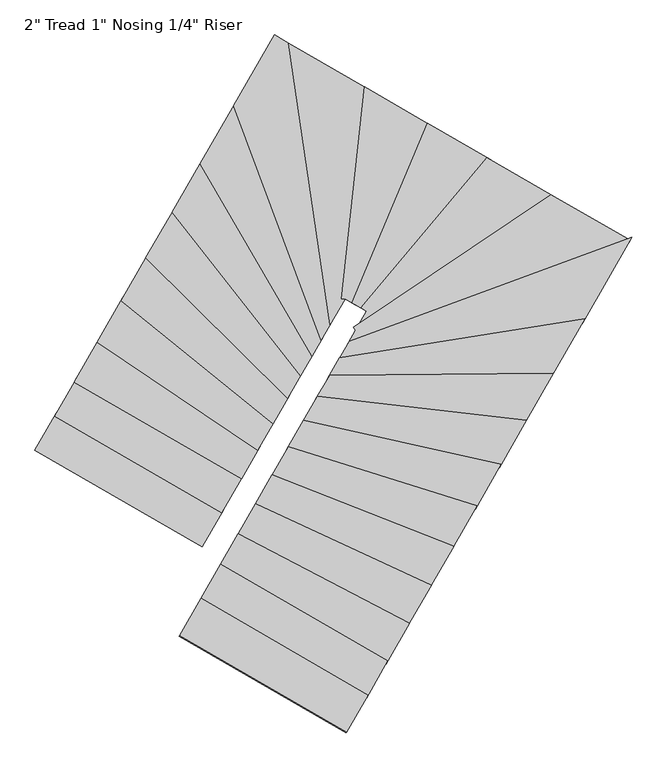
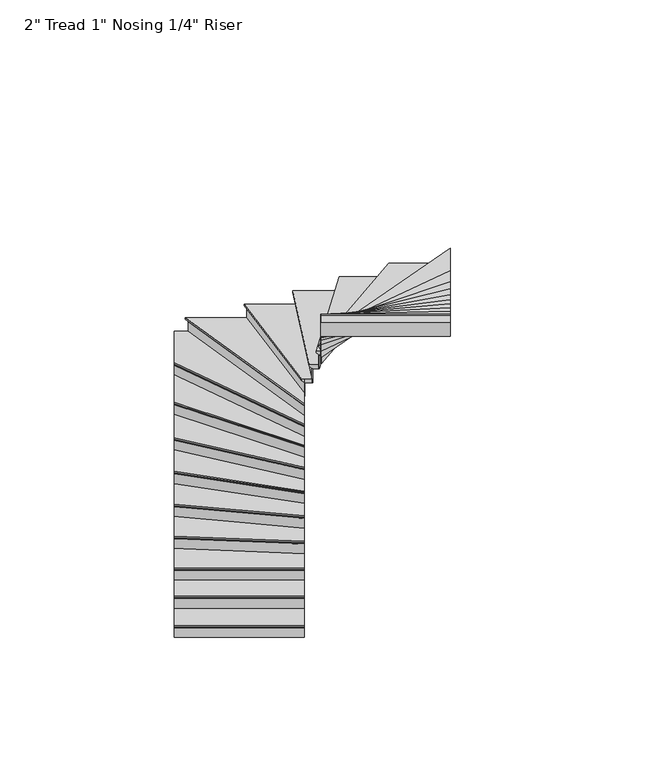
"""IFC4 building model written with IfcOpenShell, lengths in millimetres: stair flight geometry."""

from ifc_helpers import new_model, si_unit, origin, place, context, project, spatial, faceted_brep, source, transform, mapped, element, save


def stair_flight_da37d7b7(model_context):
    return source(origin(), model_context, "Body", "Brep", [
        faceted_brep([(34058.7429103, -105273.2736568, 7776.7961538), (34058.7429103, -105273.2736568, 7795.8461538), (32870.7873116, -104587.6731496, 7795.8461538), (32870.7873116, -104587.6731496, 7776.7961538), (34071.439216, -105251.274479, 7751.3961538), (32883.4836173, -104565.6739719, 7751.3961538), (34211.0985786, -105009.2835238, 7795.8461538), (33023.1429799, -104323.6830166, 7795.8461538), (32883.4836173, -104565.6739719, 7745.0461538), (33023.1429799, -104323.6830166, 7745.0461538), (34211.0985786, -105009.2835238, 7745.0461538), (34071.439216, -105251.274479, 7745.0461538)], [[[0, 1, 2, 3]], [[4, 0, 3, 5]], [[2, 1, 6, 7]], [[8, 9, 10, 11]], [[2, 7, 9, 8, 5, 3]], [[8, 11, 4, 5]], [[6, 1, 0, 4, 11, 10]], [[7, 6, 10, 9]]]),
        faceted_brep([(34071.439216, -105251.274479, 7745.0461538), (34071.439216, -105251.274479, 7620.0), (34074.6132924, -105245.7746846, 7620.0), (34074.6132924, -105245.7746846, 7745.0461538), (32883.4836173, -104565.6739719, 7745.0461538), (32886.6576937, -104560.1741774, 7745.0461538), (32886.6576937, -104560.1741774, 7620.0), (32883.4836173, -104565.6739719, 7620.0)], [[[0, 1, 2, 3]], [[4, 5, 6, 7]], [[1, 0, 4, 7]], [[2, 1, 7, 6]], [[3, 2, 6, 5]], [[0, 3, 5, 4]]]),
        faceted_brep([(34211.0985786, -105009.2835238, 7920.8923077), (34211.0985786, -105009.2835238, 7745.0461538), (34214.272655, -105003.7837293, 7745.0461538), (34214.272655, -105003.7837293, 7920.8923077), (33023.1429799, -104323.6830166, 7920.8923077), (33026.3170563, -104318.1832221, 7920.8923077), (33026.3170563, -104318.1832221, 7745.0461538), (33023.1429799, -104323.6830166, 7745.0461538)], [[[0, 1, 2, 3]], [[4, 5, 6, 7]], [[1, 0, 4, 7]], [[2, 1, 7, 6]], [[3, 2, 6, 5]], [[0, 3, 5, 4]]]),
        faceted_brep([(33010.4466742, -104345.6821943, 7971.6923077), (34198.4022729, -105031.2827015, 7971.6923077), (34350.7579412, -104767.2925685, 7971.6923077), (33162.8023424, -104081.6920613, 7971.6923077), (33023.1429799, -104323.6830166, 7920.8923077), (33162.8023424, -104081.6920613, 7920.8923077), (34350.7579412, -104767.2925685, 7920.8923077), (34211.0985786, -105009.2835238, 7920.8923077), (33023.1429799, -104323.6830166, 7927.2423077), (33010.4466742, -104345.6821943, 7952.6423077), (34211.0985786, -105009.2835238, 7927.2423077), (34198.4022729, -105031.2827015, 7952.6423077)], [[[0, 1, 2, 3]], [[4, 5, 6, 7]], [[0, 3, 5, 4, 8, 9]], [[4, 7, 10, 8]], [[2, 1, 11, 10, 7, 6]], [[3, 2, 6, 5]], [[11, 1, 0, 9]], [[10, 11, 9, 8]]]),
        faceted_brep([(34350.7579412, -104767.2925685, 8096.7384615), (34350.7579412, -104767.2925685, 7920.8923077), (34353.9320176, -104761.792774, 7920.8923077), (34353.9320176, -104761.792774, 8096.7384615), (33162.8023424, -104081.6920613, 8096.7384615), (33165.9764188, -104076.1922668, 8096.7384615), (33165.9764188, -104076.1922668, 7920.8923077), (33162.8023424, -104081.6920613, 7920.8923077)], [[[0, 1, 2, 3]], [[4, 5, 6, 7]], [[1, 0, 4, 7]], [[2, 1, 7, 6]], [[3, 2, 6, 5]], [[0, 3, 5, 4]]]),
        faceted_brep([(33150.1060367, -104103.691239, 8147.5384615), (34338.0616355, -104789.2917462, 8147.5384615), (34466.1119936, -104567.4159771, 8147.5384615), (33326.8309287, -103797.4759977, 8147.5384615), (33162.8023424, -104081.6920613, 8096.7384615), (33326.8309287, -103797.4759977, 8096.7384615), (34466.1119936, -104567.4159771, 8096.7384615), (34350.7579412, -104767.2925685, 8096.7384615), (33162.8023424, -104081.6920613, 8103.0884615), (33150.1060367, -104103.691239, 8128.4884615), (34350.7579412, -104767.2925685, 8103.0884615), (34338.0616355, -104789.2917462, 8128.4884615)], [[[0, 1, 2, 3]], [[4, 5, 6, 7]], [[0, 3, 5, 4, 8, 9]], [[4, 7, 10, 8]], [[2, 1, 11, 10, 7, 6]], [[3, 2, 6, 5]], [[11, 1, 0, 9]], [[10, 11, 9, 8]]]),
        faceted_brep([(34466.1119936, -104567.4159771, 8272.5846154), (34466.1119936, -104567.4159771, 8096.7384615), (34469.2940592, -104561.9023397, 8096.7384615), (34469.2940592, -104561.9023397, 8272.5846154), (33326.8309287, -103797.4759977, 8272.5846154), (33330.0129943, -103791.9623602, 8272.5846154), (33330.0129943, -103791.9623602, 8096.7384615), (33326.8309287, -103797.4759977, 8096.7384615)], [[[0, 1, 2, 3]], [[4, 5, 6, 7]], [[1, 0, 4, 7]], [[2, 1, 7, 6]], [[3, 2, 6, 5]], [[0, 3, 5, 4]]]),
        faceted_brep([(33314.1026662, -103819.5305476, 8323.3846154), (34453.3837311, -104589.4705271, 8323.3846154), (34576.4243037, -104376.2753274, 8323.3846154), (33496.0843406, -103504.2067597, 8323.3846154), (33326.8309287, -103797.4759977, 8272.5846154), (33496.0843406, -103504.2067597, 8272.5846154), (34576.4243037, -104376.2753274, 8272.5846154), (34466.1119936, -104567.4159771, 8272.5846154), (33326.8309287, -103797.4759977, 8278.9346154), (33314.1026662, -103819.5305476, 8304.3346154), (34466.1119936, -104567.4159771, 8278.9346154), (34453.3837311, -104589.4705271, 8304.3346154)], [[[0, 1, 2, 3]], [[4, 5, 6, 7]], [[0, 3, 5, 4, 8, 9]], [[4, 7, 10, 8]], [[2, 1, 11, 10, 7, 6]], [[3, 2, 6, 5]], [[11, 1, 0, 9]], [[10, 11, 9, 8]]]),
        faceted_brep([(34576.4243037, -104376.2753274, 8448.4307692), (34576.4243037, -104376.2753274, 8272.5846154), (34579.6372439, -104370.7081927, 8272.5846154), (34579.6372439, -104370.7081927, 8448.4307692), (33496.0843406, -103504.2067597, 8448.4307692), (33499.2972808, -103498.6396251, 8448.4307692), (33499.2972808, -103498.6396251, 8272.5846154), (33496.0843406, -103504.2067597, 8272.5846154)], [[[0, 1, 2, 3]], [[4, 5, 6, 7]], [[1, 0, 4, 7]], [[2, 1, 7, 6]], [[3, 2, 6, 5]], [[0, 3, 5, 4]]]),
        faceted_brep([(33483.2325797, -103526.4752982, 8499.2307692), (34563.5725428, -104398.5438658, 8499.2307692), (34679.9412357, -104196.9091838, 8499.2307692), (33672.4400651, -103198.631183, 8499.2307692), (33496.0843406, -103504.2067597, 8448.4307692), (33672.4400651, -103198.631183, 8448.4307692), (34679.9412357, -104196.9091838, 8448.4307692), (34576.4243037, -104376.2753274, 8448.4307692), (33496.0843406, -103504.2067597, 8454.7807692), (33483.2325797, -103526.4752982, 8480.1807692), (34576.4243037, -104376.2753274, 8454.7807692), (34563.5725428, -104398.5438658, 8480.1807692)], [[[0, 1, 2, 3]], [[4, 5, 6, 7]], [[0, 3, 5, 4, 8, 9]], [[4, 7, 10, 8]], [[2, 1, 11, 10, 7, 6]], [[3, 2, 6, 5]], [[11, 1, 0, 9]], [[10, 11, 9, 8]]]),
        faceted_brep([(34679.9412357, -104196.9091838, 8624.2769231), (34679.9412357, -104196.9091838, 8448.4307692), (34683.2234174, -104191.222073, 8448.4307692), (34683.2234174, -104191.222073, 8624.2769231), (33672.4400651, -103198.631183, 8624.2769231), (33675.7222468, -103192.9440722, 8624.2769231), (33675.7222468, -103192.9440722, 8448.4307692), (33672.4400651, -103198.631183, 8448.4307692)], [[[0, 1, 2, 3]], [[4, 5, 6, 7]], [[1, 0, 4, 7]], [[2, 1, 7, 6]], [[3, 2, 6, 5]], [[0, 3, 5, 4]]]),
        faceted_brep([(33659.3113385, -103221.3796263, 8675.0769231), (34666.8125091, -104219.6576271, 8675.0769231), (34773.9816638, -104033.9631944, 8675.0769231), (33858.7893199, -102875.7395891, 8675.0769231), (33672.4400651, -103198.631183, 8624.2769231), (33858.7893199, -102875.7395891, 8624.2769231), (34773.9816638, -104033.9631944, 8624.2769231), (34679.9412357, -104196.9091838, 8624.2769231), (33672.4400651, -103198.631183, 8630.6269231), (33659.3113385, -103221.3796263, 8656.0269231), (34679.9412357, -104196.9091838, 8630.6269231), (34666.8125091, -104219.6576271, 8656.0269231)], [[[0, 1, 2, 3]], [[4, 5, 6, 7]], [[0, 3, 5, 4, 8, 9]], [[4, 7, 10, 8]], [[2, 1, 11, 10, 7, 6]], [[3, 2, 6, 5]], [[11, 1, 0, 9]], [[10, 11, 9, 8]]]),
        faceted_brep([(34773.9816638, -104033.9631944, 8800.1230769), (34773.9816638, -104033.9631944, 8624.2769231), (34777.3977151, -104028.0441244, 8624.2769231), (34777.3977151, -104028.0441244, 8800.1230769), (33858.7893199, -102875.7395891, 8800.1230769), (33862.2053713, -102869.8205192, 8800.1230769), (33862.2053713, -102869.8205192, 8624.2769231), (33858.7893199, -102875.7395891, 8624.2769231)], [[[0, 1, 2, 3]], [[4, 5, 6, 7]], [[1, 0, 4, 7]], [[2, 1, 7, 6]], [[3, 2, 6, 5]], [[0, 3, 5, 4]]]),
        faceted_brep([(33845.1251145, -102899.4158688, 8850.9230769), (34760.3174583, -104057.6394741, 8850.9230769), (34854.2213067, -103894.9301393, 8850.9230769), (34059.8187483, -102527.4113245, 8850.9230769), (33858.7893199, -102875.7395891, 8800.1230769), (34059.8187483, -102527.4113245, 8800.1230769), (34854.2213067, -103894.9301393, 8800.1230769), (34773.9816638, -104033.9631944, 8800.1230769), (33858.7893199, -102875.7395891, 8806.4730769), (33845.1251145, -102899.4158688, 8831.8730769), (34773.9816638, -104033.9631944, 8806.4730769), (34760.3174583, -104057.6394741, 8831.8730769)], [[[0, 1, 2, 3]], [[4, 5, 6, 7]], [[0, 3, 5, 4, 8, 9]], [[4, 7, 10, 8]], [[2, 1, 11, 10, 7, 6]], [[3, 2, 6, 5]], [[11, 1, 0, 9]], [[10, 11, 9, 8]]]),
        faceted_brep([(34854.2213067, -103894.9301393, 8975.9692308), (34854.2213067, -103894.9301393, 8800.1230769), (34857.8811513, -103888.5886433, 8800.1230769), (34857.8811513, -103888.5886433, 8975.9692308), (34059.8187483, -102527.4113245, 8975.9692308), (34063.4785929, -102521.0698284, 8975.9692308), (34063.4785929, -102521.0698284, 8800.1230769), (34059.8187483, -102527.4113245, 8800.1230769)], [[[0, 1, 2, 3]], [[4, 5, 6, 7]], [[1, 0, 4, 7]], [[2, 1, 7, 6]], [[3, 2, 6, 5]], [[0, 3, 5, 4]]]),
        faceted_brep([(34045.1793698, -102552.7773087, 9026.7692308), (34839.5819282, -103920.2961236, 9026.7692308), (34920.9943729, -103779.2309282, 9026.7692308), (34299.1595432, -102112.7000831, 9026.7692308), (34059.8187483, -102527.4113245, 8975.9692308), (34299.1595432, -102112.7000831, 8975.9692308), (34920.9943729, -103779.2309282, 8975.9692308), (34854.2213067, -103894.9301393, 8975.9692308), (34059.8187483, -102527.4113245, 8982.3192308), (34045.1793698, -102552.7773087, 9007.7192308), (34854.2213067, -103894.9301393, 8982.3192308), (34839.5819282, -103920.2961236, 9007.7192308)], [[[0, 1, 2, 3]], [[4, 5, 6, 7]], [[0, 3, 5, 4, 8, 9]], [[4, 7, 10, 8]], [[2, 1, 11, 10, 7, 6]], [[3, 2, 6, 5]], [[11, 1, 0, 9]], [[10, 11, 9, 8]]]),
        faceted_brep([(34920.9943729, -103779.2309282, 9151.8153846), (34920.9943729, -103779.2309282, 8975.9692308), (34925.1106859, -103772.098499, 8975.9692308), (34925.1106859, -103772.098499, 9151.8153846), (34299.1595432, -102112.7000831, 9151.8153846), (34303.2758562, -102105.567654, 9151.8153846), (34303.2758562, -102105.567654, 8975.9692308), (34299.1595432, -102112.7000831, 8975.9692308)], [[[0, 1, 2, 3]], [[4, 5, 6, 7]], [[1, 0, 4, 7]], [[2, 1, 7, 6]], [[3, 2, 6, 5]], [[0, 3, 5, 4]]]),
        faceted_brep([(34702.6300907, -101713.9698157, 9202.6153846), (34572.5902855, -101638.9204145, 9202.6153846), (34282.6942913, -102141.2297997, 9202.6153846), (34904.529121, -103807.7606448, 9202.6153846), (34988.6092331, -103662.0731214, 9202.6153846), (34572.5902855, -101638.9204145, 9151.8153846), (34702.6300907, -101713.9698157, 9151.8153846), (34988.6092331, -103662.0731214, 9151.8153846), (34920.9943729, -103779.2309282, 9151.8153846), (34299.1595432, -102112.7000831, 9151.8153846), (34920.9943729, -103779.2309282, 9158.1653846), (34299.1595432, -102112.7000831, 9158.1653846), (34904.529121, -103807.7606448, 9183.5653846), (34282.6942913, -102141.2297997, 9183.5653846)], [[[0, 1, 2, 3, 4]], [[5, 6, 7, 8, 9]], [[1, 0, 6, 5]], [[9, 8, 10, 11]], [[4, 3, 12, 10, 8, 7]], [[0, 4, 7, 6]], [[12, 3, 2, 13]], [[10, 12, 13, 11]], [[2, 1, 5, 9, 11, 13]]]),
        faceted_brep([(34988.6092331, -103662.0731214, 9327.6615385), (34988.6092331, -103662.0731214, 9151.8153846), (34993.725825, -103653.2074862, 9151.8153846), (34993.725825, -103653.2074862, 9327.6615385), (34702.6300907, -101713.9698157, 9327.6615385), (34709.6422249, -101718.0167033, 9327.6615385), (34709.6422249, -101718.0167033, 9151.8153846), (34702.6300907, -101713.9698157, 9151.8153846)], [[[0, 1, 2, 3]], [[4, 5, 6, 7]], [[1, 0, 4, 7]], [[2, 1, 7, 6]], [[3, 2, 6, 5]], [[0, 3, 5, 4]]]),
        faceted_brep([(34674.5815538, -101697.7822653, 9378.4615385), (34968.1428654, -103697.5356624, 9378.4615385), (35074.0644902, -103514.0028531, 9378.4615385), (35236.0103431, -102021.7976268, 9378.4615385), (34702.6300907, -101713.9698157, 9327.6615385), (35236.0103431, -102021.7976268, 9327.6615385), (35074.0644902, -103514.0028531, 9327.6615385), (34988.6092331, -103662.0731214, 9327.6615385), (34702.6300907, -101713.9698157, 9334.0115385), (34674.5815538, -101697.7822653, 9359.4115385), (34988.6092331, -103662.0731214, 9334.0115385), (34968.1428654, -103697.5356624, 9359.4115385)], [[[0, 1, 2, 3]], [[4, 5, 6, 7]], [[0, 3, 5, 4, 8, 9]], [[4, 7, 10, 8]], [[2, 1, 11, 10, 7, 6]], [[3, 2, 6, 5]], [[11, 1, 0, 9]], [[10, 11, 9, 8]]]),
        faceted_brep([(35074.0644902, -103514.0028531, 9503.5076923), (35074.0644902, -103514.0028531, 9327.6615385), (35080.3774212, -103514.6879821, 9327.6615385), (35080.3774212, -103514.6879821, 9503.5076923), (35236.0103431, -102021.7976268, 9503.5076923), (35242.0211473, -102025.2666204, 9503.5076923), (35242.0211473, -102025.2666204, 9327.6615385), (35236.0103431, -102021.7976268, 9327.6615385)], [[[0, 1, 2, 3]], [[4, 5, 6, 7]], [[1, 0, 4, 7]], [[2, 1, 7, 6]], [[3, 2, 6, 5]], [[0, 3, 5, 4]]]),
        faceted_brep([(35211.9671266, -102007.9216524, 9554.3076923), (35048.812766, -103511.2623373, 9554.3076923), (35074.0644902, -103514.0028531, 9554.3076923), (35074.945377, -103512.4765204, 9554.3076923), (35147.2728149, -103554.2185924, 9554.3076923), (35681.2119659, -102278.735225, 9554.3076923), (35236.0103431, -102021.7976268, 9503.5076923), (35681.2119659, -102278.735225, 9503.5076923), (35147.2728149, -103554.2185924, 9503.5076923), (35074.945377, -103512.4765204, 9503.5076923), (35074.0644902, -103514.0028531, 9503.5076923), (35236.0103431, -102021.7976268, 9509.8576923), (35211.9671266, -102007.9216524, 9535.2576923), (35074.0644902, -103514.0028531, 9509.8576923), (35048.812766, -103511.2623373, 9535.2576923)], [[[0, 1, 2, 3, 4, 5]], [[6, 7, 8, 9, 10]], [[0, 5, 7, 6, 11, 12]], [[6, 10, 13, 11]], [[3, 2, 13, 10, 9]], [[4, 3, 9, 8]], [[5, 4, 8, 7]], [[14, 1, 0, 12]], [[13, 14, 12, 11]], [[1, 14, 13, 2]]]),
        faceted_brep([(35147.2728149, -103554.2185924, 9679.3538462), (35147.2728149, -103554.2185924, 9503.5076923), (35152.8172476, -103557.4184307, 9503.5076923), (35152.8172476, -103557.4184307, 9679.3538462), (35681.2119659, -102278.735225, 9679.3538462), (35686.7563986, -102281.9350634, 9679.3538462), (35686.7563986, -102281.9350634, 9503.5076923), (35681.2119659, -102278.735225, 9503.5076923)], [[[0, 1, 2, 3]], [[4, 5, 6, 7]], [[1, 0, 4, 7]], [[2, 1, 7, 6]], [[3, 2, 6, 5]], [[0, 3, 5, 4]]]),
        faceted_brep([(35659.0342352, -102265.9358717, 9730.1538462), (35125.0950842, -103541.419239, 9730.1538462), (35209.7916954, -103590.2998871, 9730.1538462), (36104.2961835, -102522.9082854, 9730.1538462), (35681.2119659, -102278.735225, 9679.3538462), (36104.2961835, -102522.9082854, 9679.3538462), (35209.7916954, -103590.2998871, 9679.3538462), (35147.2728149, -103554.2185924, 9679.3538462), (35681.2119659, -102278.735225, 9685.7038462), (35659.0342352, -102265.9358717, 9711.1038462), (35147.2728149, -103554.2185924, 9685.7038462), (35125.0950842, -103541.419239, 9711.1038462)], [[[0, 1, 2, 3]], [[4, 5, 6, 7]], [[0, 3, 5, 4, 8, 9]], [[4, 7, 10, 8]], [[3, 2, 6, 5]], [[11, 1, 0, 9]], [[10, 11, 9, 8]], [[2, 1, 11, 10, 7, 6]]]),
        faceted_brep([(35209.7916954, -103590.2998871, 9855.2), (35209.7916954, -103590.2998871, 9679.3538462), (35215.3758797, -103593.5226672, 9679.3538462), (35215.3758797, -103593.5226672, 9855.2), (36104.2961835, -102522.9082854, 9855.2), (36109.8803678, -102526.1310655, 9855.2), (36109.8803678, -102526.1310655, 9679.3538462), (36104.2961835, -102522.9082854, 9679.3538462)], [[[0, 1, 2, 3]], [[4, 5, 6, 7]], [[1, 0, 4, 7]], [[2, 1, 7, 6]], [[3, 2, 6, 5]], [[0, 3, 5, 4]]]),
        faceted_brep([(36081.9594463, -102510.0171653, 9906.0), (35187.4549582, -103577.408767, 9906.0), (35227.850771, -103600.722256, 9906.0), (35150.8603109, -103734.1253779, 9906.0), (36560.749701, -102786.3396489, 9906.0), (36104.2961835, -102522.9082854, 9855.2), (36560.749701, -102786.3396489, 9855.2), (35150.8603109, -103734.1253779, 9855.2), (35227.850771, -103600.722256, 9855.2), (35209.7916954, -103590.2998871, 9855.2), (36104.2961835, -102522.9082854, 9861.55), (36081.9594463, -102510.0171653, 9886.95), (35209.7916954, -103590.2998871, 9861.55), (35187.4549582, -103577.408767, 9886.95)], [[[0, 1, 2, 3, 4]], [[5, 6, 7, 8, 9]], [[0, 4, 6, 5, 10, 11]], [[5, 9, 12, 10]], [[2, 1, 13, 12, 9, 8]], [[4, 3, 7, 6]], [[13, 1, 0, 11]], [[12, 13, 11, 10]], [[3, 2, 8, 7]]]),
        faceted_brep([(35150.8603109, -103734.1253779, 10031.0461538), (35150.8603109, -103734.1253779, 9855.2), (35154.4029692, -103739.3952994, 9855.2), (35154.4029692, -103739.3952994, 10031.0461538), (36560.749701, -102786.3396489, 10031.0461538), (36566.8739534, -102789.8741165, 10031.0461538), (36566.8739534, -102789.8741165, 9855.2), (36560.749701, -102786.3396489, 9855.2)], [[[0, 1, 2, 3]], [[4, 5, 6, 7]], [[1, 0, 4, 7]], [[2, 1, 7, 6]], [[3, 2, 6, 5]], [[0, 3, 5, 4]]]),
        faceted_brep([(37094.2233393, -103110.8142435, 10081.8461538), (37101.4068769, -103098.3671644, 10081.8461538), (36536.2526915, -102772.2017786, 10081.8461538), (35136.6896777, -103713.0456921, 10081.8461538), (35150.8603109, -103734.1253779, 10081.8461538), (35085.0928584, -103848.0821394, 10081.8461538), (37101.4068769, -103098.3671644, 10031.0461538), (37094.2233393, -103110.8142435, 10031.0461538), (35085.0928584, -103848.0821394, 10031.0461538), (35150.8603109, -103734.1253779, 10031.0461538), (36560.749701, -102786.3396489, 10031.0461538), (35150.8603109, -103734.1253779, 10037.3961538), (36560.749701, -102786.3396489, 10037.3961538), (35136.6896777, -103713.0456921, 10062.7961538), (36536.2526915, -102772.2017786, 10062.7961538)], [[[0, 1, 2, 3, 4, 5]], [[6, 7, 8, 9, 10]], [[1, 0, 7, 6]], [[10, 9, 11, 12]], [[5, 4, 11, 9, 8]], [[0, 5, 8, 7]], [[13, 3, 2, 14]], [[11, 13, 14, 12]], [[3, 13, 11, 4]], [[2, 1, 6, 10, 12, 14]]]),
        faceted_brep([(35085.0928584, -103848.0821394, 10206.8923077), (35085.0928584, -103848.0821394, 10031.0461538), (35080.1402879, -103856.6635709, 10031.0461538), (35080.1402879, -103856.6635709, 10206.8923077), (37094.2233393, -103110.8142435, 10206.8923077), (37089.2707688, -103119.3956751, 10206.8923077), (37089.2707688, -103119.3956751, 10031.0461538), (37094.2233393, -103110.8142435, 10031.0461538)], [[[0, 1, 2, 3]], [[4, 5, 6, 7]], [[1, 0, 4, 7]], [[2, 1, 7, 6]], [[3, 2, 6, 5]], [[0, 3, 5, 4]]]),
        faceted_brep([(37114.0336213, -103076.4885172, 10257.6923077), (35104.9031404, -103813.7564131, 10257.6923077), (35019.9504335, -103960.9559012, 10257.6923077), (36764.2781484, -103682.5177832, 10257.6923077), (37094.2233393, -103110.8142435, 10206.8923077), (36764.2781484, -103682.5177832, 10206.8923077), (35019.9504335, -103960.9559012, 10206.8923077), (35085.0928584, -103848.0821394, 10206.8923077), (37094.2233393, -103110.8142435, 10213.2423077), (37114.0336213, -103076.4885172, 10238.6423077), (35085.0928584, -103848.0821394, 10213.2423077), (35104.9031404, -103813.7564131, 10238.6423077)], [[[0, 1, 2, 3]], [[4, 5, 6, 7]], [[0, 3, 5, 4, 8, 9]], [[4, 7, 10, 8]], [[2, 1, 11, 10, 7, 6]], [[3, 2, 6, 5]], [[11, 1, 0, 9]], [[10, 11, 9, 8]]]),
        faceted_brep([(35019.9504335, -103960.9559012, 10382.7384615), (35019.9504335, -103960.9559012, 10206.8923077), (35015.8627092, -103968.0387942, 10206.8923077), (35015.8627092, -103968.0387942, 10382.7384615), (36764.2781484, -103682.5177832, 10382.7384615), (36760.1904241, -103689.6006762, 10382.7384615), (36760.1904241, -103689.6006762, 10206.8923077), (36764.2781484, -103682.5177832, 10206.8923077)], [[[0, 1, 2, 3]], [[4, 5, 6, 7]], [[1, 0, 4, 7]], [[2, 1, 7, 6]], [[3, 2, 6, 5]], [[0, 3, 5, 4]]]),
        faceted_brep([(36780.6290459, -103654.1862112, 10433.5384615), (35036.301331, -103932.6243292, 10433.5384615), (34951.5828788, -104079.4179189, 10433.5384615), (36542.1715296, -104067.3669754, 10433.5384615), (36764.2781484, -103682.5177832, 10382.7384615), (36542.1715296, -104067.3669754, 10382.7384615), (34951.5828788, -104079.4179189, 10382.7384615), (35019.9504335, -103960.9559012, 10382.7384615), (36764.2781484, -103682.5177832, 10389.0884615), (36780.6290459, -103654.1862112, 10414.4884615), (35019.9504335, -103960.9559012, 10389.0884615), (35036.301331, -103932.6243292, 10414.4884615)], [[[0, 1, 2, 3]], [[4, 5, 6, 7]], [[0, 3, 5, 4, 8, 9]], [[4, 7, 10, 8]], [[2, 1, 11, 10, 7, 6]], [[3, 2, 6, 5]], [[11, 1, 0, 9]], [[10, 11, 9, 8]]]),
        faceted_brep([(34951.5828788, -104079.4179189, 10558.5846154), (34951.5828788, -104079.4179189, 10382.7384615), (34947.901926, -104085.7959895, 10382.7384615), (34947.901926, -104085.7959895, 10558.5846154), (36542.1715296, -104067.3669754, 10558.5846154), (36538.4905768, -104073.745046, 10558.5846154), (36538.4905768, -104073.745046, 10382.7384615), (36542.1715296, -104067.3669754, 10382.7384615)], [[[0, 1, 2, 3]], [[4, 5, 6, 7]], [[1, 0, 4, 7]], [[2, 1, 7, 6]], [[3, 2, 6, 5]], [[0, 3, 5, 4]]]),
        faceted_brep([(36556.8953407, -104041.8546928, 10609.3846154), (34966.3066899, -104053.9056363, 10609.3846154), (34866.3512228, -104227.1007485, 10609.3846154), (36349.8802275, -104400.5544899, 10609.3846154), (36542.1715296, -104067.3669754, 10558.5846154), (36349.8802275, -104400.5544899, 10558.5846154), (34866.3512228, -104227.1007485, 10558.5846154), (34951.5828788, -104079.4179189, 10558.5846154), (36542.1715296, -104067.3669754, 10564.9346154), (36556.8953407, -104041.8546928, 10590.3346154), (34951.5828788, -104079.4179189, 10564.9346154), (34966.3066899, -104053.9056363, 10590.3346154)], [[[0, 1, 2, 3]], [[4, 5, 6, 7]], [[0, 3, 5, 4, 8, 9]], [[4, 7, 10, 8]], [[2, 1, 11, 10, 7, 6]], [[3, 2, 6, 5]], [[11, 1, 0, 9]], [[10, 11, 9, 8]]]),
        faceted_brep([(34866.3512228, -104227.1007485, 10734.4307692), (34866.3512228, -104227.1007485, 10558.5846154), (34862.8947409, -104233.0898734, 10558.5846154), (34862.8947409, -104233.0898734, 10734.4307692), (36349.8802275, -104400.5544899, 10734.4307692), (36346.4237456, -104406.5436147, 10734.4307692), (36346.4237456, -104406.5436147, 10558.5846154), (36349.8802275, -104400.5544899, 10558.5846154)], [[[0, 1, 2, 3]], [[4, 5, 6, 7]], [[1, 0, 4, 7]], [[2, 1, 7, 6]], [[3, 2, 6, 5]], [[0, 3, 5, 4]]]),
        faceted_brep([(36363.7061551, -104376.5979906, 10785.2307692), (34880.1771504, -104203.1442492, 10785.2307692), (34767.3003859, -104398.7283874, 10785.2307692), (36170.6479419, -104711.1143493, 10785.2307692), (36349.8802275, -104400.5544899, 10734.4307692), (36170.6479419, -104711.1143493, 10734.4307692), (34767.3003859, -104398.7283874, 10734.4307692), (34866.3512228, -104227.1007485, 10734.4307692), (36349.8802275, -104400.5544899, 10740.7807692), (36363.7061551, -104376.5979906, 10766.1807692), (34866.3512228, -104227.1007485, 10740.7807692), (34880.1771504, -104203.1442492, 10766.1807692)], [[[0, 1, 2, 3]], [[4, 5, 6, 7]], [[0, 3, 5, 4, 8, 9]], [[4, 7, 10, 8]], [[2, 1, 11, 10, 7, 6]], [[3, 2, 6, 5]], [[11, 1, 0, 9]], [[10, 11, 9, 8]]]),
        faceted_brep([(34767.3003859, -104398.7283874, 10910.2769231), (34767.3003859, -104398.7283874, 10734.4307692), (34763.9733544, -104404.4932107, 10734.4307692), (34763.9733544, -104404.4932107, 10910.2769231), (36170.6479419, -104711.1143493, 10910.2769231), (36167.3209103, -104716.8791726, 10910.2769231), (36167.3209103, -104716.8791726, 10734.4307692), (36170.6479419, -104711.1143493, 10734.4307692)], [[[0, 1, 2, 3]], [[4, 5, 6, 7]], [[1, 0, 4, 7]], [[2, 1, 7, 6]], [[3, 2, 6, 5]], [[0, 3, 5, 4]]]),
        faceted_brep([(36183.9560681, -104688.0550562, 10961.0769231), (34780.6085122, -104375.6690942, 10961.0769231), (34659.0883244, -104586.2298886, 10961.0769231), (36000.1395375, -105006.5581412, 10961.0769231), (36170.6479419, -104711.1143493, 10910.2769231), (36000.1395375, -105006.5581412, 10910.2769231), (34659.0883244, -104586.2298886, 10910.2769231), (34767.3003859, -104398.7283874, 10910.2769231), (36170.6479419, -104711.1143493, 10916.6269231), (36183.9560681, -104688.0550562, 10942.0269231), (34767.3003859, -104398.7283874, 10916.6269231), (34780.6085122, -104375.6690942, 10942.0269231)], [[[0, 1, 2, 3]], [[4, 5, 6, 7]], [[0, 3, 5, 4, 8, 9]], [[4, 7, 10, 8]], [[2, 1, 11, 10, 7, 6]], [[3, 2, 6, 5]], [[11, 1, 0, 9]], [[10, 11, 9, 8]]]),
        faceted_brep([(34659.0883244, -104586.2298886, 11086.1230769), (34659.0883244, -104586.2298886, 10910.2769231), (34655.8360753, -104591.8651347, 10910.2769231), (34655.8360753, -104591.8651347, 11086.1230769), (36000.1395375, -105006.5581412, 11086.1230769), (35996.8872884, -105012.1933873, 11086.1230769), (35996.8872884, -105012.1933873, 10910.2769231), (36000.1395375, -105006.5581412, 10910.2769231)], [[[0, 1, 2, 3]], [[4, 5, 6, 7]], [[1, 0, 4, 7]], [[2, 1, 7, 6]], [[3, 2, 6, 5]], [[0, 3, 5, 4]]]),
        faceted_brep([(36013.1485342, -104984.0171568, 11136.9230769), (34672.097321, -104563.6889042, 11136.9230769), (34544.4958065, -104784.7869517, 11136.9230769), (35835.7520981, -105291.395998, 11136.9230769), (36000.1395375, -105006.5581412, 11086.1230769), (35835.7520981, -105291.395998, 11086.1230769), (34544.4958065, -104784.7869517, 11086.1230769), (34659.0883244, -104586.2298886, 11086.1230769), (36000.1395375, -105006.5581412, 11092.4730769), (36013.1485342, -104984.0171568, 11117.8730769), (34659.0883244, -104586.2298886, 11092.4730769), (34672.097321, -104563.6889042, 11117.8730769)], [[[0, 1, 2, 3]], [[4, 5, 6, 7]], [[0, 3, 5, 4, 8, 9]], [[4, 7, 10, 8]], [[2, 1, 11, 10, 7, 6]], [[3, 2, 6, 5]], [[11, 1, 0, 9]], [[10, 11, 9, 8]]]),
        faceted_brep([(34544.4958065, -104784.7869517, 11261.9692308), (34544.4958065, -104784.7869517, 11086.1230769), (34541.2859034, -104790.348824, 11086.1230769), (34541.2859034, -104790.348824, 11261.9692308), (35835.7520981, -105291.395998, 11261.9692308), (35832.5421949, -105296.9578703, 11261.9692308), (35832.5421949, -105296.9578703, 11086.1230769), (35835.7520981, -105291.395998, 11086.1230769)], [[[0, 1, 2, 3]], [[4, 5, 6, 7]], [[1, 0, 4, 7]], [[2, 1, 7, 6]], [[3, 2, 6, 5]], [[0, 3, 5, 4]]]),
        faceted_brep([(35848.5917108, -105269.1485089, 11312.7692308), (34557.3354193, -104762.5394626, 11312.7692308), (34425.2836892, -104991.3484999, 11312.7692308), (35675.8265187, -105568.5026883, 11312.7692308), (35835.7520981, -105291.395998, 11261.9692308), (35675.8265187, -105568.5026883, 11261.9692308), (34425.2836892, -104991.3484999, 11261.9692308), (34544.4958065, -104784.7869517, 11261.9692308), (35835.7520981, -105291.395998, 11268.3192308), (35848.5917108, -105269.1485089, 11293.7192308), (34544.4958065, -104784.7869517, 11268.3192308), (34557.3354193, -104762.5394626, 11293.7192308)], [[[0, 1, 2, 3]], [[4, 5, 6, 7]], [[0, 3, 5, 4, 8, 9]], [[4, 7, 10, 8]], [[2, 1, 11, 10, 7, 6]], [[3, 2, 6, 5]], [[11, 1, 0, 9]], [[10, 11, 9, 8]]]),
        faceted_brep([(34425.2836892, -104991.3484999, 11437.8153846), (34425.2836892, -104991.3484999, 11261.9692308), (34422.0964146, -104996.8711631, 11261.9692308), (34422.0964146, -104996.8711631, 11437.8153846), (35675.8265187, -105568.5026883, 11437.8153846), (35672.6392441, -105574.0253516, 11437.8153846), (35672.6392441, -105574.0253516, 11261.9692308), (35675.8265187, -105568.5026883, 11261.9692308)], [[[0, 1, 2, 3]], [[4, 5, 6, 7]], [[1, 0, 4, 7]], [[2, 1, 7, 6]], [[3, 2, 6, 5]], [[0, 3, 5, 4]]]),
        faceted_brep([(35688.5756172, -105546.4120353, 11488.6153846), (34438.0327877, -104969.2578469, 11488.6153846), (34302.6203992, -105203.8899735, 11488.6153846), (35519.2544638, -105839.7986504, 11488.6153846), (35675.8265187, -105568.5026883, 11437.8153846), (35519.2544638, -105839.7986504, 11437.8153846), (34302.6203992, -105203.8899735, 11437.8153846), (34425.2836892, -104991.3484999, 11437.8153846), (35675.8265187, -105568.5026883, 11444.1653846), (35688.5756172, -105546.4120353, 11469.5653846), (34425.2836892, -104991.3484999, 11444.1653846), (34438.0327877, -104969.2578469, 11469.5653846)], [[[0, 1, 2, 3]], [[4, 5, 6, 7]], [[0, 3, 5, 4, 8, 9]], [[4, 7, 10, 8]], [[2, 1, 11, 10, 7, 6]], [[3, 2, 6, 5]], [[11, 1, 0, 9]], [[10, 11, 9, 8]]]),
        faceted_brep([(34302.6203992, -105203.8899735, 11613.6615385), (34302.6203992, -105203.8899735, 11437.8153846), (34299.4435471, -105209.3945774, 11437.8153846), (34299.4435471, -105209.3945774, 11613.6615385), (35519.2544638, -105839.7986504, 11613.6615385), (35516.0776117, -105845.3032543, 11613.6615385), (35516.0776117, -105845.3032543, 11437.8153846), (35519.2544638, -105839.7986504, 11437.8153846)], [[[0, 1, 2, 3]], [[4, 5, 6, 7]], [[1, 0, 4, 7]], [[2, 1, 7, 6]], [[3, 2, 6, 5]], [[0, 3, 5, 4]]]),
        faceted_brep([(35531.9618722, -105817.7802348, 11664.4615385), (34315.3278076, -105181.871558, 11664.4615385), (34177.3113722, -105421.0157758, 11664.4615385), (35365.266971, -106106.616283, 11664.4615385), (35519.2544638, -105839.7986504, 11613.6615385), (35365.266971, -106106.616283, 11613.6615385), (34177.3113722, -105421.0157758, 11613.6615385), (34302.6203992, -105203.8899735, 11613.6615385), (35519.2544638, -105839.7986504, 11620.0115385), (35531.9618722, -105817.7802348, 11645.4115385), (34302.6203992, -105203.8899735, 11620.0115385), (34315.3278076, -105181.871558, 11645.4115385)], [[[0, 1, 2, 3]], [[4, 5, 6, 7]], [[0, 3, 5, 4, 8, 9]], [[4, 7, 10, 8]], [[2, 1, 11, 10, 7, 6]], [[3, 2, 6, 5]], [[11, 1, 0, 9]], [[10, 11, 9, 8]]]),
        faceted_brep([(34177.3113722, -105421.0157758, 11789.5076923), (34177.3113722, -105421.0157758, 11613.6615385), (34174.1372958, -105426.5155703, 11613.6615385), (34174.1372958, -105426.5155703, 11789.5076923), (35365.266971, -106106.616283, 11789.5076923), (35362.0928945, -106112.1160775, 11789.5076923), (35362.0928945, -106112.1160775, 11613.6615385), (35365.266971, -106106.616283, 11613.6615385)], [[[0, 1, 2, 3]], [[4, 5, 6, 7]], [[1, 0, 4, 7]], [[2, 1, 7, 6]], [[3, 2, 6, 5]], [[0, 3, 5, 4]]]),
        faceted_brep([(35377.9632767, -106084.6171053, 11840.3076923), (34190.0076779, -105399.0165981, 11840.3076923), (34037.6520097, -105663.0067311, 11840.3076923), (35225.6076084, -106348.6072383, 11840.3076923), (35365.266971, -106106.616283, 11789.5076923), (35225.6076084, -106348.6072383, 11789.5076923), (34037.6520097, -105663.0067311, 11789.5076923), (34177.3113722, -105421.0157758, 11789.5076923), (35365.266971, -106106.616283, 11795.8576923), (35377.9632767, -106084.6171053, 11821.2576923), (34177.3113722, -105421.0157758, 11795.8576923), (34190.0076779, -105399.0165981, 11821.2576923)], [[[0, 1, 2, 3]], [[4, 5, 6, 7]], [[0, 3, 5, 4, 8, 9]], [[4, 7, 10, 8]], [[2, 1, 11, 10, 7, 6]], [[3, 2, 6, 5]], [[11, 1, 0, 9]], [[10, 11, 9, 8]]]),
        faceted_brep([(34037.6520097, -105663.0067311, 11965.3538462), (34037.6520097, -105663.0067311, 11789.5076923), (34034.4779332, -105668.5065256, 11789.5076923), (34034.4779332, -105668.5065256, 11965.3538462), (35225.6076084, -106348.6072383, 11965.3538462), (35222.433532, -106354.1070327, 11965.3538462), (35222.433532, -106354.1070327, 11789.5076923), (35225.6076084, -106348.6072383, 11789.5076923)], [[[0, 1, 2, 3]], [[4, 5, 6, 7]], [[1, 0, 4, 7]], [[2, 1, 7, 6]], [[3, 2, 6, 5]], [[0, 3, 5, 4]]]),
        faceted_brep([(33897.9926471, -105904.9976864, 12141.2), (33897.9926471, -105904.9976864, 11965.3538462), (33894.8185707, -105910.4974809, 11965.3538462), (33894.8185707, -105910.4974809, 12141.2), (35085.9482458, -106590.5981936, 12141.2), (35082.7741694, -106596.097988, 12141.2), (35082.7741694, -106596.097988, 11965.3538462), (35085.9482458, -106590.5981936, 11965.3538462)], [[[0, 1, 2, 3]], [[4, 5, 6, 7]], [[1, 0, 4, 7]], [[2, 1, 7, 6]], [[3, 2, 6, 5]], [[0, 3, 5, 4]]]),
        faceted_brep([(35238.3039141, -106326.6080606, 12016.1538462), (34050.3483154, -105641.0075534, 12016.1538462), (33897.9926471, -105904.9976864, 12016.1538462), (35085.9482458, -106590.5981936, 12016.1538462), (35225.6076084, -106348.6072383, 11965.3538462), (35085.9482458, -106590.5981936, 11965.3538462), (33897.9926471, -105904.9976864, 11965.3538462), (34037.6520097, -105663.0067311, 11965.3538462), (35225.6076084, -106348.6072383, 11971.7038462), (35238.3039141, -106326.6080606, 11997.1038462), (34037.6520097, -105663.0067311, 11971.7038462), (34050.3483154, -105641.0075534, 11997.1038462)], [[[0, 1, 2, 3]], [[4, 5, 6, 7]], [[0, 3, 5, 4, 8, 9]], [[4, 7, 10, 8]], [[2, 1, 11, 10, 7, 6]], [[3, 2, 6, 5]], [[11, 1, 0, 9]], [[10, 11, 9, 8]]]),
    ])


if __name__ == "__main__":
    model = new_model("IFC4")
    model_context = context("Model", 3, world=origin())
    ifc_project = project(units=[si_unit("LENGTHUNIT", "METRE", prefix="MILLI")], contexts=[model_context])
    site = spatial("IfcSite", under=ifc_project)
    building = spatial("IfcBuilding", under=site)
    placement = place(None, origin())
    stair_flight_shape = stair_flight_da37d7b7(model_context)
    element("IfcStairFlight", 1, ObjectType="2\" Tread 1\" Nosing 1/4\" Riser", at=placement, inside=building, context=model_context, shape_type="MappedRepresentation", body=[
        mapped(stair_flight_shape, transform((0.0, 0.0, 0.0), x_axis=(1.0, 0.0, 0.0), y_axis=(0.0, 1.0, 0.0), z_axis=(0.0, 0.0, 1.0))),
    ])
    save(model, "model.ifc")
